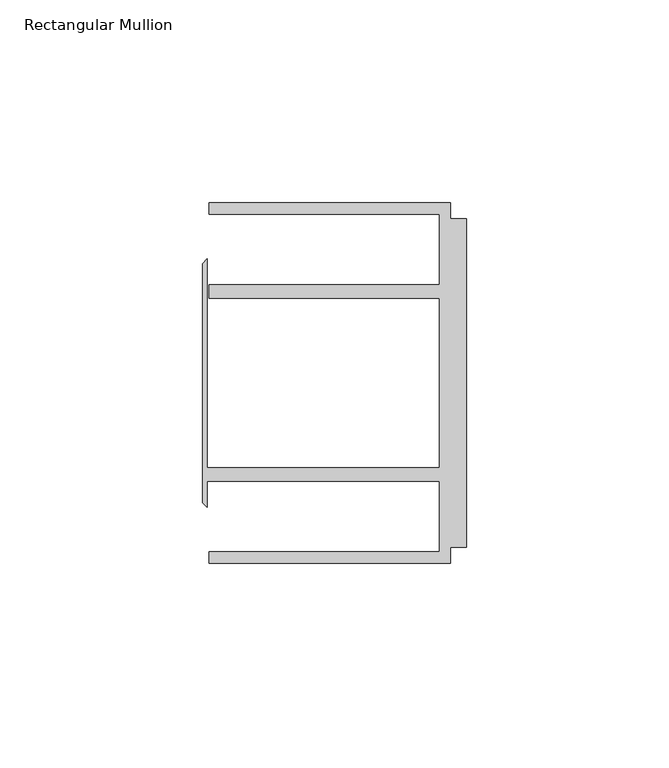
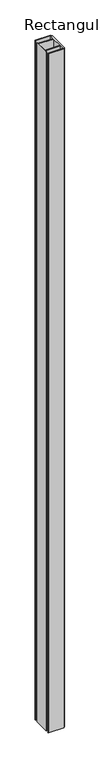
"""IFC4 building model written with IfcOpenShell, lengths in millimetres: member geometry, Rectangular Mullion."""

from ifc_helpers import new_model, si_unit, frame, origin, place, context, project, spatial, polyline, outline, extrude, source, transform, mapped, element, save


def rectangular_mullion_e5927bd6(model_context):
    return source(origin(), model_context, "Body", "SweptSolid", [
        extrude(outline(polyline([(-4.0000001, 44.45), (-4.0000001, 40.4500013), (0.0, 40.4500013), (0.0, -40.4500013), (-4.0000001, -40.4500013), (-4.0000001, -44.45), (-63.5, -44.45), (-63.5, -41.6500013), (-6.6000002, -41.6500013), (-6.6000002, -24.2500008), (-63.9424102, -24.2500008), (-63.9424102, -30.6159585), (-65.0875, -29.4708687), (-65.0875, 29.4708687), (-63.9424102, 30.6159585), (-63.9424102, -20.9500007), (-6.6000002, -20.9500007), (-6.6000002, 20.9500007), (-63.5, 20.9500007), (-63.5, 24.2500008), (-6.6000002, 24.2500008), (-6.6000002, 41.6500013), (-63.5, 41.6500013), (-63.5, 44.45), (-4.0000001, 44.45)])), frame((0.0, 0.0, -2743.2), z_axis=(0.0, 0.0, 1.0), x_axis=(1.0, 0.0, 0.0)), (0.0, 0.0, 1.0), 2743.2),
    ])


if __name__ == "__main__":
    model = new_model("IFC4")
    model_context = context("Model", 3, world=origin())
    ifc_project = project(units=[si_unit("LENGTHUNIT", "METRE", prefix="MILLI")], contexts=[model_context])
    site = spatial("IfcSite", under=ifc_project)
    building = spatial("IfcBuilding", under=site)
    placement = place(None, origin())
    rectangular_mullion_shape = rectangular_mullion_e5927bd6(model_context)
    element("IfcMember", 1, ObjectType="Rectangular Mullion", at=placement, inside=building, context=model_context, shape_type="MappedRepresentation", body=[
        mapped(rectangular_mullion_shape, transform((0.0, 0.0, 0.0), x_axis=(1.0, 0.0, 0.0), y_axis=(0.0, 1.0, 0.0), z_axis=(0.0, 0.0, 1.0))),
    ])
    save(model, "model.ifc")
